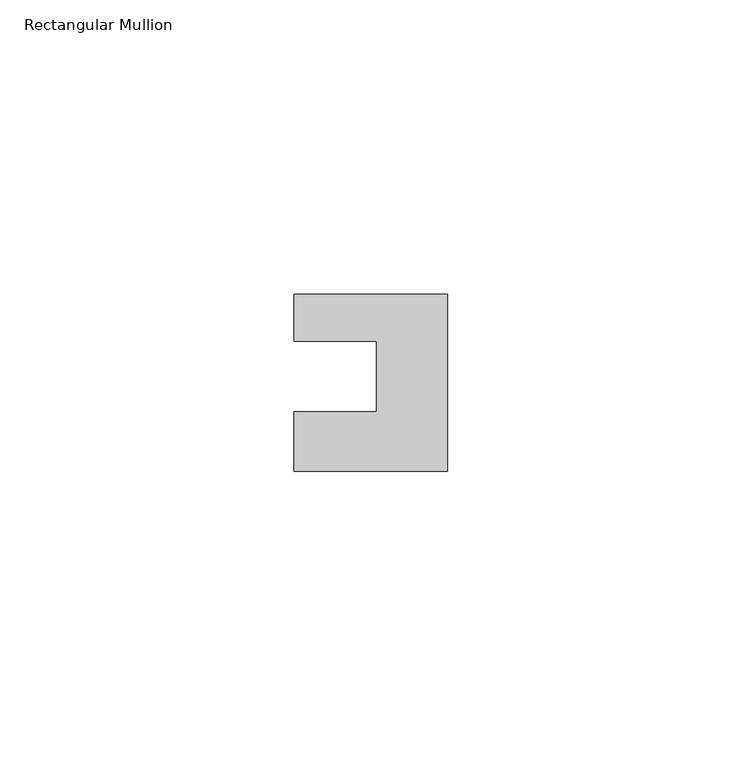
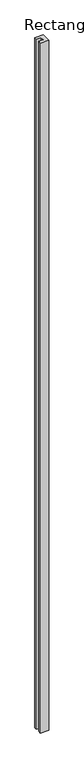
"""IFC4 building model written with IfcOpenShell, lengths in millimetres: member geometry, Rectangular Mullion."""

from ifc_helpers import new_model, si_unit, frame, origin, place, context, project, spatial, polyline, outline, extrude, source, transform, mapped, element, save


def rectangular_mullion_60ab1e5b(model_context):
    return source(origin(), model_context, "Body", "SweptSolid", [
        extrude(outline(polyline([(0.0, 7.94), (0.0, -22.06), (-26.0, -22.06), (-26.0, -12.0), (-12.0, -12.0), (-12.0, 0.001), (-26.0, 0.001), (-26.0, 7.94), (0.0, 7.94)])), frame((0.0, 0.0, -2265.0), z_axis=(0.0, 0.0, 1.0), x_axis=(1.0, 0.0, 0.0)), (0.0, 0.0, 1.0), 2265.0),
    ])


if __name__ == "__main__":
    model = new_model("IFC4")
    model_context = context("Model", 3, world=origin())
    ifc_project = project(units=[si_unit("LENGTHUNIT", "METRE", prefix="MILLI")], contexts=[model_context])
    site = spatial("IfcSite", under=ifc_project)
    building = spatial("IfcBuilding", under=site)
    placement = place(None, origin())
    rectangular_mullion_shape = rectangular_mullion_60ab1e5b(model_context)
    element("IfcMember", 1, ObjectType="Rectangular Mullion", at=placement, inside=building, context=model_context, shape_type="MappedRepresentation", body=[
        mapped(rectangular_mullion_shape, transform((0.0, 0.0, 0.0), x_axis=(1.0, 0.0, 0.0), y_axis=(0.0, 1.0, 0.0), z_axis=(0.0, 0.0, 1.0))),
    ])
    save(model, "model.ifc")
